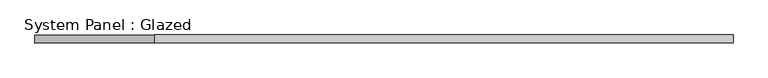
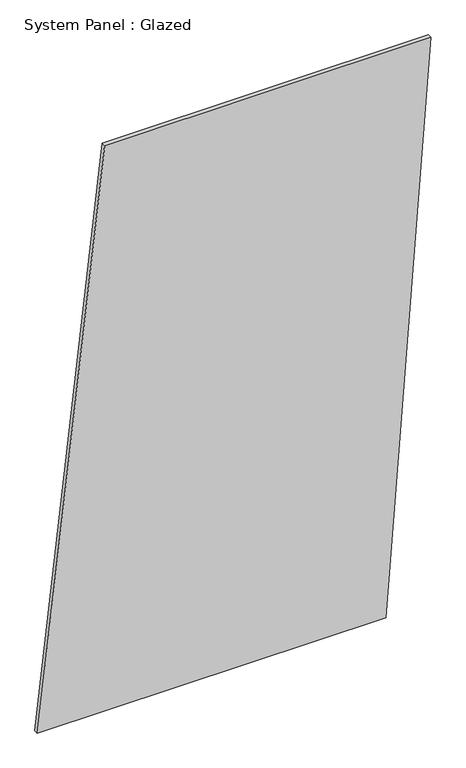
"""IFC4 building model written with IfcOpenShell, lengths in millimetres: plate geometry, System Panel : Glazed."""

from ifc_helpers import new_model, si_unit, frame, origin, place, context, project, spatial, polyline, outline, extrude, source, transform, mapped, element, save


def system_panel_glazed_7d454b73(model_context):
    return source(origin(), model_context, "Body", "SweptSolid", [
        extrude(outline(polyline([(0.0, -1098.1438138), (0.0, 848.0782354), (3333.4344564, 1098.1438138), (3333.4344564, -723.0454462), (0.0, -1098.1438138)])), frame((0.0, -49.5, 0.0), z_axis=(0.0, 1.0, 0.0), x_axis=(0.0, 0.0, 1.0)), (0.0, 0.0, 1.0), 25.0),
    ])


if __name__ == "__main__":
    model = new_model("IFC4")
    model_context = context("Model", 3, world=origin())
    ifc_project = project(units=[si_unit("LENGTHUNIT", "METRE", prefix="MILLI")], contexts=[model_context])
    site = spatial("IfcSite", under=ifc_project)
    building = spatial("IfcBuilding", under=site)
    placement = place(None, origin())
    system_panel_glazed_shape = system_panel_glazed_7d454b73(model_context)
    element("IfcPlate", 1, ObjectType="System Panel : Glazed", at=placement, inside=building, context=model_context, shape_type="MappedRepresentation", body=[
        mapped(system_panel_glazed_shape, transform((0.0, 0.0, 0.0), x_axis=(1.0, 0.0, 0.0), y_axis=(0.0, 1.0, 0.0), z_axis=(0.0, 0.0, 1.0))),
    ])
    save(model, "model.ifc")
